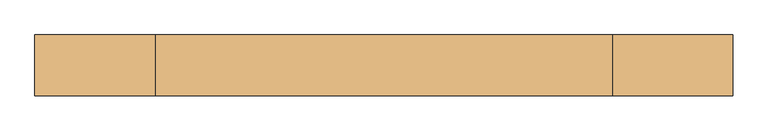
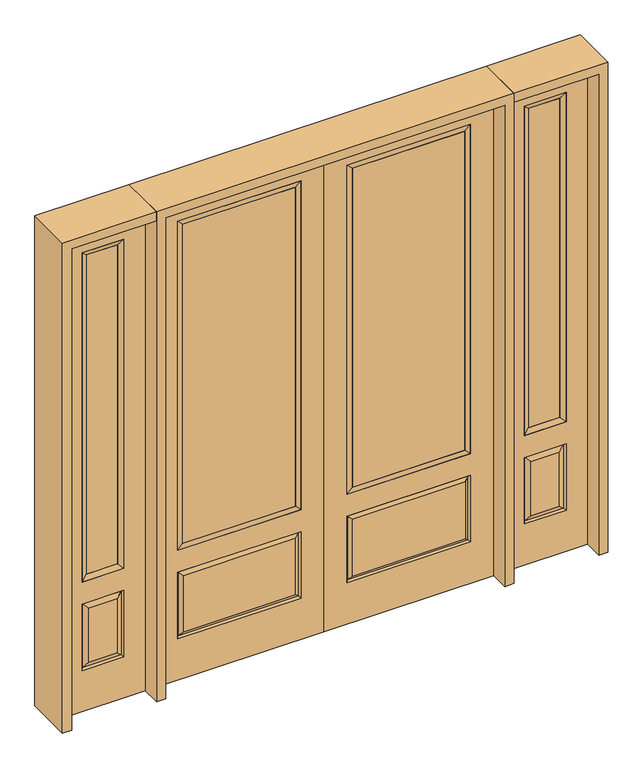
"""IFC4 building model written with IfcOpenShell, lengths in millimetres: door geometry."""

from ifc_helpers import new_model, si_unit, frame, origin, place, context, project, spatial, polyline, outline, extrude, faceted_brep, source, transform, mapped, element, save


def door_c44c3b78(model_context):
    return source(origin(), model_context, "Body", "SolidModel", [
        extrude(outline(polyline([(136.525, -20.32), (136.525, 5.08), (676.275, 5.08), (676.275, -20.32), (136.525, -20.32)])), frame((0.0, 0.0, 682.498), z_axis=(0.0, 0.0, 1.0), x_axis=(1.0, 0.0, 0.0)), (0.0, 0.0, 1.0), 1616.202),
        faceted_brep([(694.5661499, -12.7912373, 216.6588501), (677.06875, -22.225, 234.15625), (135.73125, -22.225, 234.15625), (118.2338501, -12.7912373, 216.6588501), (111.125, -22.225, 209.55), (701.675, -22.225, 209.55), (701.675, -22.225, 546.1), (694.5661499, -12.7912373, 538.9911499), (0.0, -22.225, 2438.4), (0.0, -22.225, 0.0), (812.8, -22.225, 0.0), (812.8, -22.225, 2438.4), (111.125, -22.225, 546.1), (111.125, -22.225, 2324.1), (701.675, -22.225, 2324.1), (701.675, -22.225, 657.098), (111.125, -22.225, 657.098), (677.06875, -22.225, 521.49375), (135.73125, -22.225, 521.49375), (118.2338501, -12.7912373, 538.9911499), (812.8, 22.225, 0.0), (812.8, 22.225, 2438.4), (0.0, 22.225, 0.0), (0.0, 22.225, 2438.4), (111.125, 22.225, 657.098), (111.125, 22.225, 2324.1), (701.675, 22.225, 657.098), (701.675, 22.225, 2324.1), (135.73125, 22.225, 234.15625), (135.73125, 22.225, 521.49375), (677.06875, 22.225, 521.49375), (677.06875, 22.225, 234.15625), (701.675, 22.225, 209.55), (701.675, 22.225, 546.1), (111.125, 22.225, 546.1), (111.125, 22.225, 209.55), (118.2338501, 12.7912373, 216.6588501), (694.5661499, 12.7912373, 216.6588501), (118.2338501, 12.7912373, 538.9911499), (694.5661499, 12.7912373, 538.9911499)], [[[0, 1, 2, 3]], [[3, 4, 5, 0]], [[5, 6, 7, 0]], [[8, 9, 10, 11], [4, 12, 6, 5], [13, 14, 15, 16]], [[1, 17, 18, 2]], [[3, 19, 12, 4]], [[2, 18, 19, 3]], [[0, 7, 17, 1]], [[6, 12, 19, 7]], [[7, 19, 18, 17]], [[10, 20, 21, 11]], [[9, 22, 20, 10]], [[8, 23, 22, 9]], [[16, 24, 25, 13]], [[15, 26, 24, 16]], [[14, 27, 26, 15]], [[28, 29, 30, 31]], [[23, 21, 20, 22], [25, 24, 26, 27], [32, 33, 34, 35]], [[32, 35, 36, 37]], [[35, 34, 38, 36]], [[39, 38, 34, 33]], [[37, 39, 33, 32]], [[36, 28, 31, 37]], [[31, 30, 39, 37]], [[30, 29, 38, 39]], [[36, 38, 29, 28]], [[11, 21, 23, 8]], [[13, 25, 27, 14]]]),
        faceted_brep([(701.675, -22.225, 2324.1), (701.675, -22.225, 657.098), (701.675, 22.225, 657.098), (701.675, 22.225, 2324.1), (111.125, -22.225, 657.098), (111.125, 22.225, 657.098), (136.525, 5.08, 682.498), (676.275, 5.08, 682.498), (111.125, -22.225, 2324.1), (111.125, 22.225, 2324.1), (676.275, -20.32, 682.498), (136.525, -20.32, 682.498), (676.275, -20.32, 2298.7), (136.525, -20.32, 2298.7), (676.275, 5.08, 2298.7), (136.525, 5.08, 2298.7)], [[[0, 1, 2, 3]], [[1, 4, 5, 2]], [[2, 5, 6, 7]], [[4, 8, 9, 5]], [[10, 11, 4, 1]], [[12, 10, 1, 0]], [[11, 13, 8, 4]], [[7, 6, 11, 10]], [[14, 7, 10, 12]], [[6, 15, 13, 11]], [[3, 2, 7, 14]], [[5, 9, 15, 6]], [[8, 0, 3, 9]], [[13, 12, 0, 8]], [[15, 14, 12, 13]], [[9, 3, 14, 15]]]),
        faceted_brep([(857.25, -22.225, 0.0), (1263.65, -22.225, 0.0), (1263.65, -22.225, 2438.4), (857.25, -22.225, 2438.4), (1160.78, -22.225, 2325.624), (1160.78, -22.225, 657.098), (960.12, -22.225, 657.098), (960.12, -22.225, 2325.624), (1160.78, -22.225, 209.55), (960.12, -22.225, 209.55), (960.12, -22.225, 546.1), (1160.78, -22.225, 546.1), (991.8351001, -22.225, 241.2651001), (1129.0648999, -22.225, 241.2651001), (1129.0648999, -22.225, 514.3848999), (991.8351001, -22.225, 514.3848999), (857.25, 22.225, 0.0), (857.25, 22.225, 2438.4), (1263.65, 22.225, 2438.4), (1263.65, 22.225, 0.0), (1160.78, 22.225, 2325.624), (960.12, 22.225, 2325.624), (960.12, 22.225, 657.098), (1160.78, 22.225, 657.098), (960.12, 22.225, 209.55), (1160.78, 22.225, 209.55), (1160.78, 22.225, 546.1), (960.12, 22.225, 546.1), (1129.0648999, 22.225, 241.2651001), (991.8351001, 22.225, 241.2651001), (991.8351001, 22.225, 514.3848999), (1129.0648999, 22.225, 514.3848999), (1153.6711499, 12.7912373, 216.6588501), (967.2288501, 12.7912373, 216.6588501), (967.2288501, 12.7912373, 538.9911499), (1153.6711499, 12.7912373, 538.9911499), (967.2288501, -12.7912373, 216.6588501), (1153.6711499, -12.7912373, 216.6588501), (967.2288501, -12.7912373, 538.9911499), (1153.6711499, -12.7912373, 538.9911499)], [[[0, 1, 2, 3], [4, 5, 6, 7], [8, 9, 10, 11]], [[12, 13, 14, 15]], [[16, 17, 18, 19], [20, 21, 22, 23], [24, 25, 26, 27]], [[28, 29, 30, 31]], [[1, 0, 16, 19]], [[2, 1, 19, 18]], [[3, 2, 18, 17]], [[0, 3, 17, 16]], [[5, 4, 20, 23]], [[6, 5, 23, 22]], [[7, 6, 22, 21]], [[4, 7, 21, 20]], [[32, 33, 29, 28]], [[33, 32, 25, 24]], [[29, 33, 34, 30]], [[33, 24, 27, 34]], [[30, 34, 35, 31]], [[34, 27, 26, 35]], [[32, 28, 31, 35]], [[25, 32, 35, 26]], [[12, 36, 37, 13]], [[37, 36, 9, 8]], [[36, 12, 15, 38]], [[9, 36, 38, 10]], [[38, 15, 14, 39]], [[10, 38, 39, 11]], [[13, 37, 39, 14]], [[37, 8, 11, 39]]]),
        faceted_brep([(960.12, 22.225, 2325.624), (960.12, -22.225, 2325.624), (1160.78, -22.225, 2325.624), (1160.78, 22.225, 2325.624), (985.52, 12.7, 2300.224), (1135.38, 12.7, 2300.224), (985.52, -12.7, 2300.224), (1135.38, -12.7, 2300.224), (1160.78, -22.225, 657.098), (1160.78, 22.225, 657.098), (1135.38, 12.7, 682.498), (1135.38, -12.7, 682.498), (960.12, -22.225, 657.098), (960.12, 22.225, 657.098), (985.52, 12.7, 682.498), (985.52, -12.7, 682.498)], [[[0, 1, 2, 3]], [[4, 0, 3, 5]], [[6, 4, 5, 7]], [[1, 6, 7, 2]], [[3, 2, 8, 9]], [[5, 3, 9, 10]], [[7, 5, 10, 11]], [[2, 7, 11, 8]], [[9, 8, 12, 13]], [[10, 9, 13, 14]], [[11, 10, 14, 15]], [[8, 11, 15, 12]], [[13, 12, 1, 0]], [[14, 13, 0, 4]], [[15, 14, 4, 6]], [[12, 15, 6, 1]]]),
        extrude(outline(polyline([(1135.38, -12.7), (985.52, -12.7), (985.52, 12.7), (1135.38, 12.7), (1135.38, -12.7)])), frame((0.0, 0.0, 682.498), z_axis=(0.0, 0.0, 1.0), x_axis=(1.0, 0.0, 0.0)), (0.0, 0.0, 1.0), 1617.726),
        faceted_brep([(-1263.65, -22.225, 0.0), (-857.25, -22.225, 0.0), (-857.25, -22.225, 2438.4), (-1263.65, -22.225, 2438.4), (-960.12, -22.225, 2325.624), (-960.12, -22.225, 657.098), (-1160.78, -22.225, 657.098), (-1160.78, -22.225, 2325.624), (-960.12, -22.225, 209.55), (-1160.78, -22.225, 209.55), (-1160.78, -22.225, 546.1), (-960.12, -22.225, 546.1), (-1129.0648999, -22.225, 241.2651001), (-991.8351001, -22.225, 241.2651001), (-991.8351001, -22.225, 514.3848999), (-1129.0648999, -22.225, 514.3848999), (-1263.65, 22.225, 0.0), (-1263.65, 22.225, 2438.4), (-857.25, 22.225, 2438.4), (-857.25, 22.225, 0.0), (-960.12, 22.225, 2325.624), (-1160.78, 22.225, 2325.624), (-1160.78, 22.225, 657.098), (-960.12, 22.225, 657.098), (-1160.78, 22.225, 209.55), (-960.12, 22.225, 209.55), (-960.12, 22.225, 546.1), (-1160.78, 22.225, 546.1), (-991.8351001, 22.225, 241.2651001), (-1129.0648999, 22.225, 241.2651001), (-1129.0648999, 22.225, 514.3848999), (-991.8351001, 22.225, 514.3848999), (-967.2288501, 12.7912373, 216.6588501), (-1153.6711499, 12.7912373, 216.6588501), (-1153.6711499, 12.7912373, 538.9911499), (-967.2288501, 12.7912373, 538.9911499), (-1153.6711499, -12.7912373, 216.6588501), (-967.2288501, -12.7912373, 216.6588501), (-1153.6711499, -12.7912373, 538.9911499), (-967.2288501, -12.7912373, 538.9911499)], [[[0, 1, 2, 3], [4, 5, 6, 7], [8, 9, 10, 11]], [[12, 13, 14, 15]], [[16, 17, 18, 19], [20, 21, 22, 23], [24, 25, 26, 27]], [[28, 29, 30, 31]], [[1, 0, 16, 19]], [[2, 1, 19, 18]], [[3, 2, 18, 17]], [[0, 3, 17, 16]], [[5, 4, 20, 23]], [[6, 5, 23, 22]], [[7, 6, 22, 21]], [[4, 7, 21, 20]], [[32, 33, 29, 28]], [[33, 32, 25, 24]], [[29, 33, 34, 30]], [[33, 24, 27, 34]], [[30, 34, 35, 31]], [[34, 27, 26, 35]], [[32, 28, 31, 35]], [[25, 32, 35, 26]], [[12, 36, 37, 13]], [[37, 36, 9, 8]], [[36, 12, 15, 38]], [[9, 36, 38, 10]], [[38, 15, 14, 39]], [[10, 38, 39, 11]], [[13, 37, 39, 14]], [[37, 8, 11, 39]]]),
        faceted_brep([(-1160.78, 22.225, 2325.624), (-1160.78, -22.225, 2325.624), (-960.12, -22.225, 2325.624), (-960.12, 22.225, 2325.624), (-1135.38, 12.7, 2300.224), (-985.52, 12.7, 2300.224), (-1135.38, -12.7, 2300.224), (-985.52, -12.7, 2300.224), (-960.12, -22.225, 657.098), (-960.12, 22.225, 657.098), (-985.52, 12.7, 682.498), (-985.52, -12.7, 682.498), (-1160.78, -22.225, 657.098), (-1160.78, 22.225, 657.098), (-1135.38, 12.7, 682.498), (-1135.38, -12.7, 682.498)], [[[0, 1, 2, 3]], [[4, 0, 3, 5]], [[6, 4, 5, 7]], [[1, 6, 7, 2]], [[3, 2, 8, 9]], [[5, 3, 9, 10]], [[7, 5, 10, 11]], [[2, 7, 11, 8]], [[9, 8, 12, 13]], [[10, 9, 13, 14]], [[11, 10, 14, 15]], [[8, 11, 15, 12]], [[13, 12, 1, 0]], [[14, 13, 0, 4]], [[15, 14, 4, 6]], [[12, 15, 6, 1]]]),
        extrude(outline(polyline([(-985.52, -12.7), (-1135.38, -12.7), (-1135.38, 12.7), (-985.52, 12.7), (-985.52, -12.7)])), frame((0.0, 0.0, 682.498), z_axis=(0.0, 0.0, 1.0), x_axis=(1.0, 0.0, 0.0)), (0.0, 0.0, 1.0), 1617.726),
        extrude(outline(polyline([(-136.525, -20.32), (-676.275, -20.32), (-676.275, 5.08), (-136.525, 5.08), (-136.525, -20.32)])), frame((0.0, 0.0, 682.498), z_axis=(0.0, 0.0, 1.0), x_axis=(1.0, 0.0, 0.0)), (0.0, 0.0, 1.0), 1616.202),
        faceted_brep([(-694.5661499, -12.7912373, 216.6588501), (-118.2338501, -12.7912373, 216.6588501), (-135.73125, -22.225, 234.15625), (-677.06875, -22.225, 234.15625), (-701.675, -22.225, 209.55), (-111.125, -22.225, 209.55), (-694.5661499, -12.7912373, 538.9911499), (-701.675, -22.225, 546.1), (-135.73125, -22.225, 521.49375), (-677.06875, -22.225, 521.49375), (0.0, -22.225, 2438.4), (-812.8, -22.225, 2438.4), (-812.8, -22.225, 0.0), (0.0, -22.225, 0.0), (-111.125, -22.225, 546.1), (-111.125, -22.225, 2324.1), (-111.125, -22.225, 657.098), (-701.675, -22.225, 657.098), (-701.675, -22.225, 2324.1), (-118.2338501, -12.7912373, 538.9911499), (-812.8, 22.225, 2438.4), (-812.8, 22.225, 0.0), (0.0, 22.225, 0.0), (0.0, 22.225, 2438.4), (-111.125, 22.225, 2324.1), (-111.125, 22.225, 657.098), (-701.675, 22.225, 657.098), (-701.675, 22.225, 2324.1), (-701.675, 22.225, 209.55), (-111.125, 22.225, 209.55), (-111.125, 22.225, 546.1), (-701.675, 22.225, 546.1), (-135.73125, 22.225, 234.15625), (-677.06875, 22.225, 234.15625), (-677.06875, 22.225, 521.49375), (-135.73125, 22.225, 521.49375), (-694.5661499, 12.7912373, 216.6588501), (-118.2338501, 12.7912373, 216.6588501), (-118.2338501, 12.7912373, 538.9911499), (-694.5661499, 12.7912373, 538.9911499)], [[[0, 1, 2, 3]], [[1, 0, 4, 5]], [[4, 0, 6, 7]], [[3, 2, 8, 9]], [[10, 11, 12, 13], [5, 4, 7, 14], [15, 16, 17, 18]], [[1, 5, 14, 19]], [[2, 1, 19, 8]], [[0, 3, 9, 6]], [[7, 6, 19, 14]], [[6, 9, 8, 19]], [[12, 11, 20, 21]], [[13, 12, 21, 22]], [[10, 13, 22, 23]], [[16, 15, 24, 25]], [[17, 16, 25, 26]], [[18, 17, 26, 27]], [[23, 22, 21, 20], [28, 29, 30, 31], [24, 27, 26, 25]], [[32, 33, 34, 35]], [[28, 36, 37, 29]], [[29, 37, 38, 30]], [[39, 31, 30, 38]], [[36, 28, 31, 39]], [[37, 36, 33, 32]], [[33, 36, 39, 34]], [[34, 39, 38, 35]], [[37, 32, 35, 38]], [[11, 10, 23, 20]], [[15, 18, 27, 24]]]),
        faceted_brep([(-701.675, -22.225, 2324.1), (-701.675, 22.225, 2324.1), (-701.675, 22.225, 657.098), (-701.675, -22.225, 657.098), (-111.125, 22.225, 657.098), (-111.125, -22.225, 657.098), (-676.275, 5.08, 682.498), (-136.525, 5.08, 682.498), (-111.125, 22.225, 2324.1), (-111.125, -22.225, 2324.1), (-676.275, -20.32, 682.498), (-136.525, -20.32, 682.498), (-676.275, -20.32, 2298.7), (-136.525, -20.32, 2298.7), (-676.275, 5.08, 2298.7), (-136.525, 5.08, 2298.7)], [[[0, 1, 2, 3]], [[3, 2, 4, 5]], [[2, 6, 7, 4]], [[5, 4, 8, 9]], [[10, 3, 5, 11]], [[12, 0, 3, 10]], [[11, 5, 9, 13]], [[6, 10, 11, 7]], [[14, 12, 10, 6]], [[7, 11, 13, 15]], [[1, 14, 6, 2]], [[4, 7, 15, 8]], [[9, 8, 1, 0]], [[13, 9, 0, 12]], [[15, 13, 12, 14]], [[8, 15, 14, 1]]]),
        extrude(outline(polyline([(2438.4, -857.25), (2482.85, -857.25), (2482.85, -1308.1), (0.0, -1308.1), (0.0, -1263.65), (2438.4, -1263.65), (2438.4, -857.25)])), frame((0.0, -114.3, 0.0), z_axis=(0.0, 1.0, 0.0), x_axis=(0.0, 0.0, 1.0)), (0.0, 0.0, 1.0), 228.6),
        extrude(outline(polyline([(2482.85, -857.25), (0.0, -857.25), (0.0, -812.8), (2438.4, -812.8), (2438.4, 812.8), (0.0, 812.8), (0.0, 857.25), (2482.85, 857.25), (2482.85, -857.25)])), frame((0.0, -114.3, 0.0), z_axis=(0.0, 1.0, 0.0), x_axis=(0.0, 0.0, 1.0)), (0.0, 0.0, 1.0), 228.6),
        extrude(outline(polyline([(0.0, 1263.65), (0.0, 1308.1), (2482.85, 1308.1), (2482.85, 857.25), (2438.4, 857.25), (2438.4, 1263.65), (0.0, 1263.65)])), frame((0.0, -114.3, 0.0), z_axis=(0.0, 1.0, 0.0), x_axis=(0.0, 0.0, 1.0)), (0.0, 0.0, 1.0), 228.6),
    ])


if __name__ == "__main__":
    model = new_model("IFC4")
    model_context = context("Model", 3, world=origin())
    ifc_project = project(units=[si_unit("LENGTHUNIT", "METRE", prefix="MILLI")], contexts=[model_context])
    site = spatial("IfcSite", under=ifc_project)
    building = spatial("IfcBuilding", under=site)
    placement = place(None, origin())
    door_shape = door_c44c3b78(model_context)
    element("IfcDoor", 1, at=placement, inside=building, context=model_context, shape_type="MappedRepresentation", body=[
        mapped(door_shape, transform((0.0, 0.0, 0.0), x_axis=(1.0, 0.0, 0.0), y_axis=(0.0, 1.0, 0.0), z_axis=(0.0, 0.0, 1.0))),
    ])
    save(model, "model.ifc")
